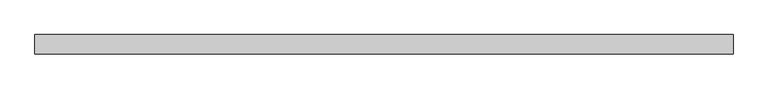
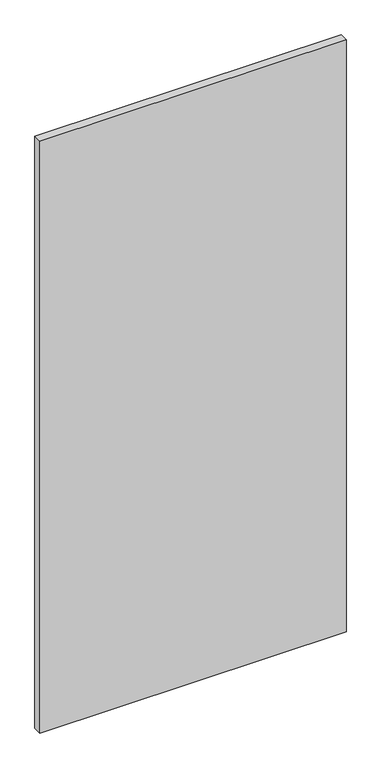
"""IFC4 building model written with IfcOpenShell, lengths in millimetres: plate geometry."""

import ifcopenshell
import ifcopenshell.guid

model = None  # the IFC model being written
_history = None  # IfcOwnerHistory: only IFC2X3 demands one
_inside = {}  # id of a spatial element -> (the spatial element, [elements in it])
_under = {}  # id of a project, library or spatial element -> (it, [spatial elements below it])
_declared = {}  # id of a project -> (the project, [libraries it declares])
_typed = {}  # id of a type object -> (the type object, [elements of that type])
_made_of = {}  # id of a material, layer set ... -> (it, [elements and type objects made of it])


def new_model(schema):
    """Start an empty IFC model of exactly this schema.

    Asked for "IFC4X3", IfcOpenShell would pick the latest addendum, in which some entities
    have other attributes; the version numbers below select the first issue.
    IFC2X3 requires an IfcOwnerHistory on every rooted entity: one is made here for all.
    """
    global model, _history
    if schema == "IFC4X3":
        model = ifcopenshell.file(schema_version=(4, 3, 0, 0))
    else:
        model = ifcopenshell.file(schema=schema)
    _inside.clear()
    _under.clear()
    _declared.clear()
    _typed.clear()
    _made_of.clear()
    _history = None
    if model.schema == "IFC2X3":
        org = make("IfcOrganization", Name="unknown")
        user = make(
            "IfcPersonAndOrganization",
            ThePerson=make("IfcPerson", FamilyName="unknown"),
            TheOrganization=org,
        )
        app = make(
            "IfcApplication",
            ApplicationDeveloper=org,
            Version="unknown",
            ApplicationFullName="unknown",
            ApplicationIdentifier="unknown",
        )
        _history = make(
            "IfcOwnerHistory",
            OwningUser=user,
            OwningApplication=app,
            ChangeAction="ADDED",
            CreationDate=0,
        )
    return model


def make(cls, **values):
    """One entity of the class cls with the attributes given. An attribute that is None is left unset."""
    return model.create_entity(
        cls, **{name: value for name, value in values.items() if value is not None}
    )


def rooted(cls, **values):
    """An entity with a GlobalId (a new one), such as an element, a storey or a relation."""
    return make(cls, GlobalId=ifcopenshell.guid.new(), OwnerHistory=_history, **values)


def si_unit(unit_type, name, prefix=None):
    """IfcSIUnit, for example si_unit("LENGTHUNIT", "METRE", prefix="MILLI")."""
    return make("IfcSIUnit", UnitType=unit_type, Prefix=prefix, Name=name)


def assignment(units):
    """IfcUnitAssignment: the units of a project."""
    return None if units is None else make("IfcUnitAssignment", Units=units)


def point(xyz):
    """IfcCartesianPoint."""
    return None if xyz is None else make("IfcCartesianPoint", Coordinates=xyz)


def direction(xyz):
    """IfcDirection."""
    return None if xyz is None else make("IfcDirection", DirectionRatios=xyz)


def frame(location, z_axis=None, x_axis=None):
    """IfcAxis2Placement3D, a coordinate frame: its origin and axes. An axis left out is left unset."""
    return make(
        "IfcAxis2Placement3D",
        Location=point(location),
        Axis=direction(z_axis),
        RefDirection=direction(x_axis),
    )


def origin():
    """The frame at (0, 0, 0) with its axes left unset."""
    return frame((0.0, 0.0, 0.0))


def origin_with_axes():
    """The frame at (0, 0, 0) with the z axis (0, 0, 1) and the x axis (1, 0, 0) written out."""
    return frame((0.0, 0.0, 0.0), z_axis=(0.0, 0.0, 1.0), x_axis=(1.0, 0.0, 0.0))


def place(relative_to, where):
    """IfcLocalPlacement: puts the frame where relative to a parent placement (None: the world)."""
    return make(
        "IfcLocalPlacement", PlacementRelTo=relative_to, RelativePlacement=where
    )


def context(
    kind, dimensions, precision=None, world=None, true_north=None, identifier=None
):
    """IfcGeometricRepresentationContext, for example the 3D "Model" context."""
    return make(
        "IfcGeometricRepresentationContext",
        ContextIdentifier=identifier,
        ContextType=kind,
        CoordinateSpaceDimension=dimensions,
        Precision=precision,
        WorldCoordinateSystem=world,
        TrueNorth=true_north,
    )


def project(units=None, contexts=None):
    """IfcProject with its units and contexts."""
    return rooted(
        "IfcProject",
        Name="project",
        RepresentationContexts=contexts,
        UnitsInContext=assignment(units),
    )


def spatial(cls, under=None, at=None, **own):
    """A site, building, storey or space (cls), placed at a placement, below another one or the project."""
    s = rooted(cls, ObjectPlacement=at, **own)
    if under is not None:
        _under.setdefault(under.id(), (under, []))[1].append(s)
    return s


def polyline(points):
    """IfcPolyline through the points."""
    return make("IfcPolyline", Points=[point(p) for p in points])


def outline(outer, holes=None, kind="AREA"):
    """IfcArbitraryClosedProfileDef: a profile drawn as a closed curve; with holes, ...WithVoids."""
    if holes is None:
        return make("IfcArbitraryClosedProfileDef", ProfileType=kind, OuterCurve=outer)
    return make(
        "IfcArbitraryProfileDefWithVoids",
        ProfileType=kind,
        OuterCurve=outer,
        InnerCurves=holes,
    )


def extrude(swept, where, along, depth):
    """IfcExtrudedAreaSolid: the profile swept, set in the frame where, extruded along a direction by depth."""
    return make(
        "IfcExtrudedAreaSolid",
        SweptArea=swept,
        Position=where,
        ExtrudedDirection=direction(along),
        Depth=depth,
    )


def shape(context_of_items, identifier, shape_type, items):
    """IfcShapeRepresentation: the items that make up one representation, for example the "Body"."""
    return make(
        "IfcShapeRepresentation",
        ContextOfItems=context_of_items,
        RepresentationIdentifier=identifier,
        RepresentationType=shape_type,
        Items=items,
    )


def source(mapping_origin, context_of_items, identifier, shape_type, items):
    """IfcRepresentationMap: a shape defined once, which mapped items show again and again."""
    return make(
        "IfcRepresentationMap",
        MappingOrigin=mapping_origin,
        MappedRepresentation=shape(context_of_items, identifier, shape_type, items),
    )


def transform(
    local_origin,
    x_axis=None,
    y_axis=None,
    z_axis=None,
    scale=None,
    scale2=None,
    scale3=None,
    uniform=True,
):
    """IfcCartesianTransformationOperator3D, or its non-uniform kind. x_axis, y_axis, z_axis: its Axis1, 2, 3."""
    if uniform:
        return make(
            "IfcCartesianTransformationOperator3D",
            Axis1=direction(x_axis),
            Axis2=direction(y_axis),
            LocalOrigin=point(local_origin),
            Scale=scale,
            Axis3=direction(z_axis),
        )
    return make(
        "IfcCartesianTransformationOperator3DnonUniform",
        Axis1=direction(x_axis),
        Axis2=direction(y_axis),
        LocalOrigin=point(local_origin),
        Scale=scale,
        Axis3=direction(z_axis),
        Scale2=scale2,
        Scale3=scale3,
    )


def mapped(mapping_source, mapping_target):
    """IfcMappedItem: shows the shape of a source again, moved by a transform."""
    return make(
        "IfcMappedItem", MappingSource=mapping_source, MappingTarget=mapping_target
    )


def made_of(thing, what):
    """Note that an element or type object is made of a material, layer set ...; save() writes the relation."""
    if what is not None:
        _made_of.setdefault(what.id(), (what, []))[1].append(thing)
    return thing


def element(
    cls,
    number,
    at=None,
    inside=None,
    cuts=None,
    type_object=None,
    material=None,
    context=None,
    identifier="Body",
    shape_type=None,
    held_by="IfcProductDefinitionShape",
    body=None,
    shapes=None,
    **own,
):
    """One element of the class cls, such as IfcWall. Its Tag is "e" and its number.

    at: its placement. inside: the storey or other place that contains it. cuts: it is an
    opening in that element (IfcRelVoidsElement). A single representation is given by context,
    identifier, shape_type and body (its items); several are given by shapes. held_by: the class
    of the entity that holds the representations. save() writes the other relations.
    """
    e = rooted(cls, Tag="e%d" % number, ObjectPlacement=at, **own)
    if body is not None:
        shapes = [shape(context, identifier, shape_type, body)]
    if shapes is not None:
        e.Representation = make(held_by, Representations=shapes)
    if inside is not None:
        _inside.setdefault(inside.id(), (inside, []))[1].append(e)
    if cuts is not None:
        rooted(
            "IfcRelVoidsElement", RelatingBuildingElement=cuts, RelatedOpeningElement=e
        )
    if type_object is not None:
        _typed.setdefault(type_object.id(), (type_object, []))[1].append(e)
    return made_of(e, material)


def aggregate(whole, parts):
    """IfcRelAggregates: a whole, such as a stair, and the parts it consists of."""
    return rooted("IfcRelAggregates", RelatingObject=whole, RelatedObjects=parts)


def save(model, path):
    """Write the relations noted so far, then the file.

    IfcRelAggregates (storeys below a building ...), IfcRelContainedInSpatialStructure (elements
    in a storey), IfcRelDefinesByType, IfcRelAssociatesMaterial and IfcRelDeclares: one each for
    every whole, place, type object, material and project.
    """
    for whole, parts in _under.values():
        aggregate(whole, parts)
    for where, things in _inside.values():
        rooted(
            "IfcRelContainedInSpatialStructure",
            RelatedElements=things,
            RelatingStructure=where,
        )
    for kind, things in _typed.values():
        rooted("IfcRelDefinesByType", RelatedObjects=things, RelatingType=kind)
    for what, things in _made_of.values():
        rooted("IfcRelAssociatesMaterial", RelatedObjects=things, RelatingMaterial=what)
    for by, libraries in _declared.values():
        rooted("IfcRelDeclares", RelatingContext=by, RelatedDefinitions=libraries)
    model.write(path)


def plate_be59f5b6(model_context):
    return source(origin(), model_context, "Body", "SweptSolid", [
        extrude(outline(polyline([(575.0000002, 0.0), (-575.0000002, 0.0), (-575.0000002, 32.0), (575.0000002, 32.0), (575.0000002, 0.0)])), origin_with_axes(), (0.0, 0.0, 1.0), 2350.0),
    ])


if __name__ == "__main__":
    model = new_model("IFC4")
    model_context = context("Model", 3, world=origin())
    ifc_project = project(units=[si_unit("LENGTHUNIT", "METRE", prefix="MILLI")], contexts=[model_context])
    site = spatial("IfcSite", under=ifc_project)
    building = spatial("IfcBuilding", under=site)
    placement = place(None, origin())
    plate_shape = plate_be59f5b6(model_context)
    element("IfcPlate", 1, at=placement, inside=building, context=model_context, shape_type="MappedRepresentation", body=[
        mapped(plate_shape, transform((0.0, 0.0, 0.0), x_axis=(1.0, 0.0, 0.0), y_axis=(0.0, 1.0, 0.0), z_axis=(0.0, 0.0, 1.0))),
    ])
    save(model, "model.ifc")
